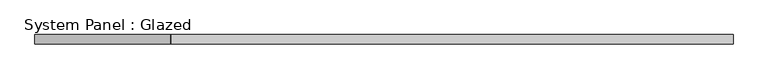
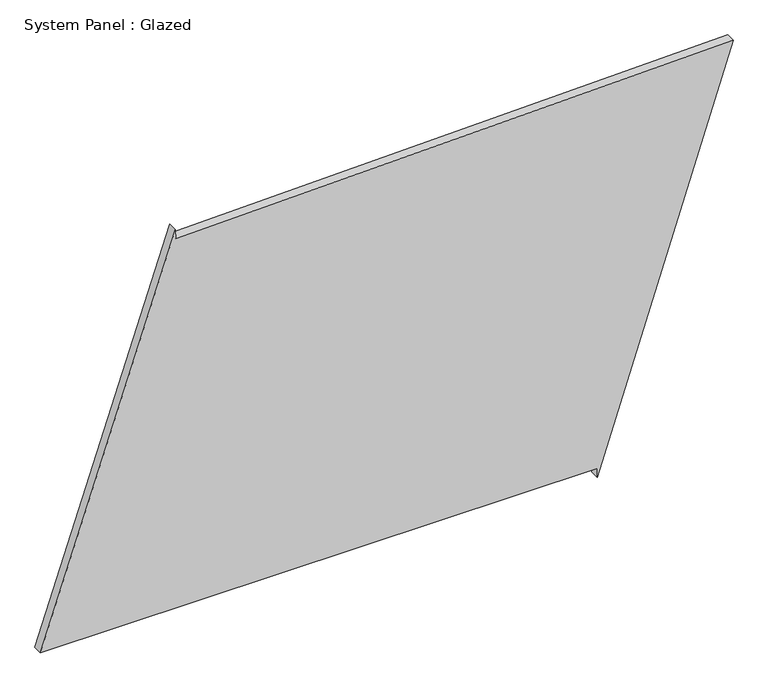
"""IFC4 building model written with IfcOpenShell, lengths in millimetres: plate geometry, System Panel : Glazed."""

from ifc_helpers import new_model, si_unit, frame, origin, place, context, project, spatial, polyline, outline, extrude, source, transform, mapped, element, save


def system_panel_glazed_de182754(model_context):
    return source(origin(), model_context, "Body", "SweptSolid", [
        extrude(outline(polyline([(25.0, 560.0775219), (0.0, 560.0775219), (1104.0621819, 921.7055994), (1065.588254, -561.7694291), (1090.5798504, -562.4175862), (25.0, -921.7055994), (25.0, 560.0775219)])), frame((0.0, -49.5, 0.0), z_axis=(0.0, 1.0, 0.0), x_axis=(0.0, 0.0, 1.0)), (0.0, 0.0, 1.0), 25.0),
    ])


if __name__ == "__main__":
    model = new_model("IFC4")
    model_context = context("Model", 3, world=origin())
    ifc_project = project(units=[si_unit("LENGTHUNIT", "METRE", prefix="MILLI")], contexts=[model_context])
    site = spatial("IfcSite", under=ifc_project)
    building = spatial("IfcBuilding", under=site)
    placement = place(None, origin())
    system_panel_glazed_shape = system_panel_glazed_de182754(model_context)
    element("IfcPlate", 1, ObjectType="System Panel : Glazed", at=placement, inside=building, context=model_context, shape_type="MappedRepresentation", body=[
        mapped(system_panel_glazed_shape, transform((0.0, 0.0, 0.0), x_axis=(1.0, 0.0, 0.0), y_axis=(0.0, 1.0, 0.0), z_axis=(0.0, 0.0, 1.0))),
    ])
    save(model, "model.ifc")
